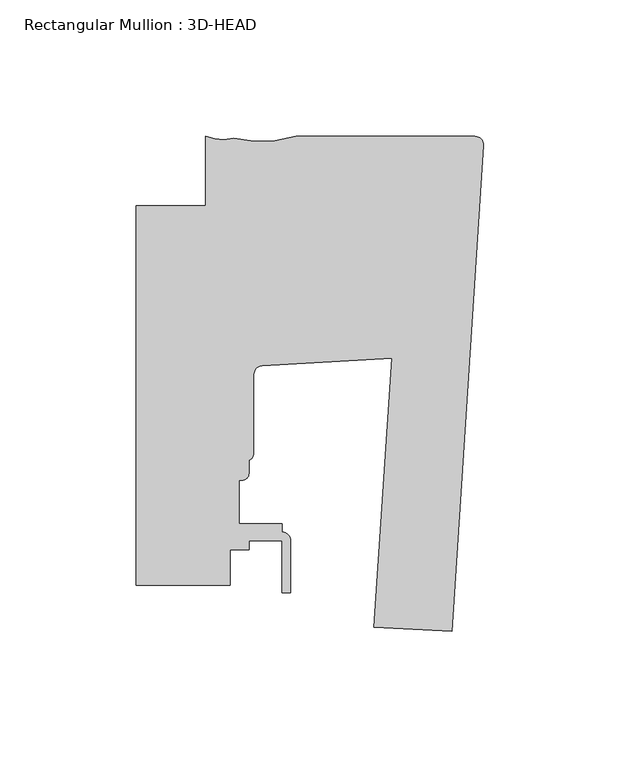
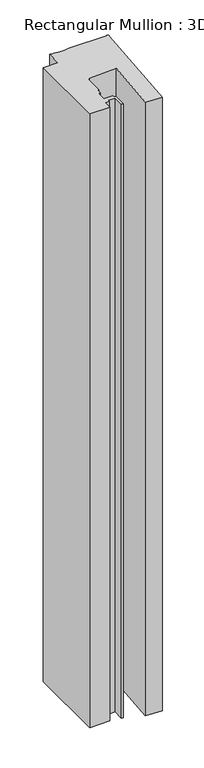
"""IFC4 building model written with IfcOpenShell, lengths in millimetres: member geometry, Rectangular Mullion : 3D-HEAD."""

from ifc_helpers import new_model, si_unit, point, frame, frame_2d, origin, place, context, project, spatial, polyline, circle_curve, trimmed, segment, composite_curve, outline, extrude, source, transform, mapped, element, save


def rectangular_mullion_3d_head_a9a32f4f(model_context):
    return source(origin(), model_context, "Body", "SweptSolid", [
        extrude(outline(composite_curve([segment(polyline([(-11.5383887, -183.9116498), (-40.1652502, -182.4113796), (-33.647817, -83.7374579), (-81.3507626, -86.5806357)]), True, "CONTINUOUS"), segment(trimmed(circle_curve(frame_2d((-81.1875559, -89.7514382)), 3.175), [point((-81.3507626, -86.5806357))], [point((-84.3625559, -89.7514382))], True, "CARTESIAN"), True, "CONTINUOUS"), segment(polyline([(-84.3625559, -89.7514382), (-84.3625559, -118.4629255)]), True, "CONTINUOUS"), segment(trimmed(circle_curve(frame_2d((-87.5375559, -118.4629255)), 3.175), [point((-84.3625559, -118.4629255))], [point((-86.1405562, -121.3140685))], False, "CARTESIAN"), True, "CONTINUOUS"), segment(polyline([(-86.1405562, -121.3140685), (-86.1405562, -126.0450134)]), True, "CONTINUOUS"), segment(trimmed(circle_curve(frame_2d((-88.6805561, -126.0450134)), 2.5399999), [point((-86.1405562, -126.0450134))], [point((-88.6805561, -128.5850133))], False, "CARTESIAN"), True, "CONTINUOUS"), segment(polyline([(-88.6805561, -128.5850133), (-89.8235559, -128.5850133), (-89.8235559, -144.4600133), (-73.9485559, -144.4600133), (-73.9485559, -147.6350307)]), True, "CONTINUOUS"), segment(trimmed(circle_curve(frame_2d((-73.9380354, -150.8100133)), 3.175), [point((-73.9485559, -147.6350307))], [point((-70.7630354, -150.8100133))], False, "CARTESIAN"), True, "CONTINUOUS"), segment(polyline([(-70.7630354, -150.8100133), (-70.7630354, -169.8600133), (-73.9380354, -169.8600133), (-73.9380354, -150.8100133), (-86.1405562, -150.8100133), (-86.1405562, -153.9850133), (-92.9985559, -153.9850133), (-92.9985559, -167.0288125), (-127.4896668, -167.0288125), (-127.4896668, -27.837265), (-102.08978, -27.8367479), (-102.08978, -2.4368125)]), True, "CONTINUOUS"), segment(trimmed(circle_curve(frame_2d((-95.8348398, 13.0962674)), 16.7451739), [point((-102.08978, -2.4368125))], [point((-91.8088828, -3.1577327))], True, "CARTESIAN"), True, "CONTINUOUS"), segment(trimmed(circle_curve(frame_2d((-81.6714448, 38.5783094)), 42.9495617), [point((-91.8088828, -3.1577327))], [point((-68.9268525, -2.4368125))], True, "CARTESIAN"), True, "CONTINUOUS"), segment(polyline([(-68.9268525, -2.4368125), (-3.175, -2.4368125)]), True, "CONTINUOUS"), segment(trimmed(circle_curve(frame_2d((-3.175, -5.6118125)), 3.175), [point((-3.175, -2.4368125))], [point((-0.006635, -5.8169663))], False, "CARTESIAN"), True, "CONTINUOUS"), segment(polyline([(-0.006635, -5.8169663), (-11.5383887, -183.9116498)]), True, "CONTINUOUS")], self_intersect=False)), frame((0.0, 0.0, -1126.5059691), z_axis=(0.0, 0.0, 1.0), x_axis=(1.0, 0.0, 0.0)), (0.0, 0.0, 1.0), 1126.5059691),
    ])


if __name__ == "__main__":
    model = new_model("IFC4")
    model_context = context("Model", 3, world=origin())
    ifc_project = project(units=[si_unit("LENGTHUNIT", "METRE", prefix="MILLI")], contexts=[model_context])
    site = spatial("IfcSite", under=ifc_project)
    building = spatial("IfcBuilding", under=site)
    placement = place(None, origin())
    rectangular_mullion_3d_head_shape = rectangular_mullion_3d_head_a9a32f4f(model_context)
    element("IfcMember", 1, ObjectType="Rectangular Mullion : 3D-HEAD", at=placement, inside=building, context=model_context, shape_type="MappedRepresentation", body=[
        mapped(rectangular_mullion_3d_head_shape, transform((0.0, 0.0, 0.0), x_axis=(1.0, 0.0, 0.0), y_axis=(0.0, 1.0, 0.0), z_axis=(0.0, 0.0, 1.0))),
    ])
    save(model, "model.ifc")
